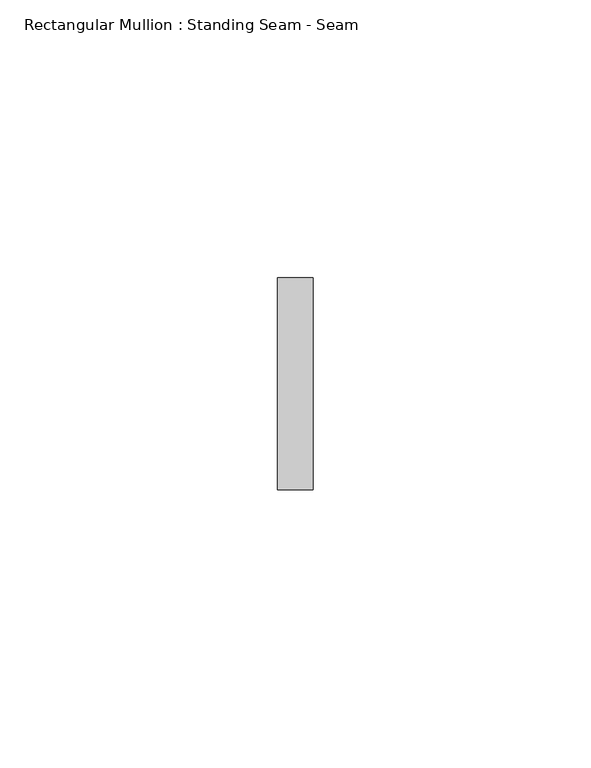
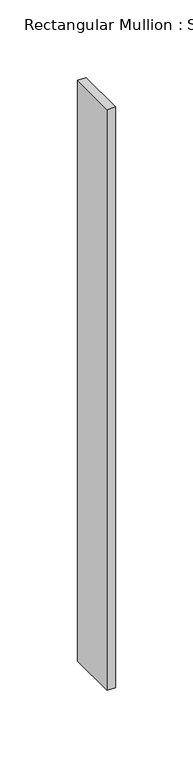
"""IFC4 building model written with IfcOpenShell, lengths in millimetres: member geometry, Rectangular Mullion : Standing Seam - Seam."""

from ifc_helpers import new_model, si_unit, frame, origin, place, context, project, spatial, polyline, outline, extrude, source, transform, mapped, element, save


def rectangular_mullion_standing_seam_seam_a273efd6(model_context):
    return source(origin(), model_context, "Body", "SweptSolid", [
        extrude(outline(polyline([(3.175, 41.275), (3.175, 3.175), (-3.175, 3.175), (-3.175, 41.275), (3.175, 41.275)])), frame((0.0, 0.0, -457.2), z_axis=(0.0, 0.0, 1.0), x_axis=(1.0, 0.0, 0.0)), (0.0, 0.0, 1.0), 457.2),
    ])


if __name__ == "__main__":
    model = new_model("IFC4")
    model_context = context("Model", 3, world=origin())
    ifc_project = project(units=[si_unit("LENGTHUNIT", "METRE", prefix="MILLI")], contexts=[model_context])
    site = spatial("IfcSite", under=ifc_project)
    building = spatial("IfcBuilding", under=site)
    placement = place(None, origin())
    rectangular_mullion_standing_seam_seam_shape = rectangular_mullion_standing_seam_seam_a273efd6(model_context)
    element("IfcMember", 1, ObjectType="Rectangular Mullion : Standing Seam - Seam", at=placement, inside=building, context=model_context, shape_type="MappedRepresentation", body=[
        mapped(rectangular_mullion_standing_seam_seam_shape, transform((0.0, 0.0, 0.0), x_axis=(1.0, 0.0, 0.0), y_axis=(0.0, 1.0, 0.0), z_axis=(0.0, 0.0, 1.0))),
    ])
    save(model, "model.ifc")
